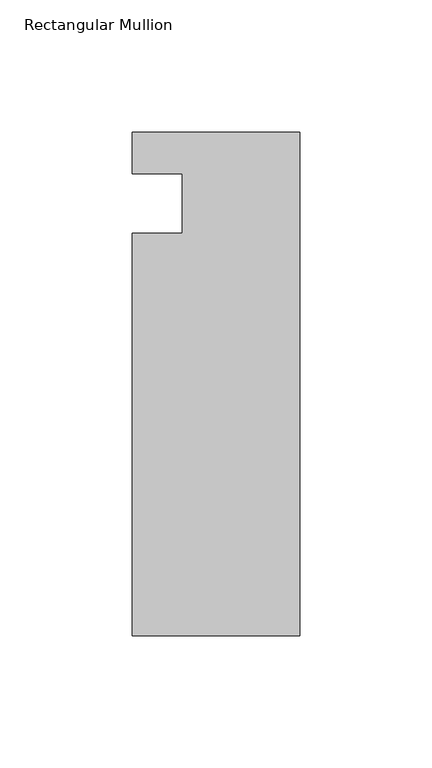
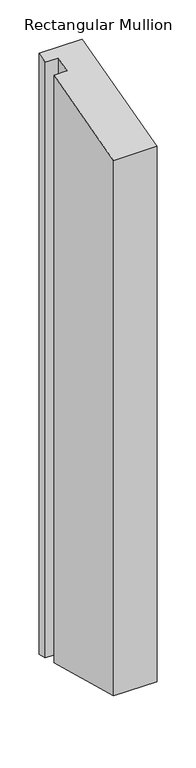
"""IFC4 building model written with IfcOpenShell, lengths in millimetres: member geometry, Rectangular Mullion."""

from ifc_helpers import new_model, si_unit, origin, place, context, project, spatial, faceted_brep, source, transform, mapped, element, save


def rectangular_mullion_287accdd(model_context):
    return source(origin(), model_context, "Body", "Brep", [
        faceted_brep([(-198.4248, 4.9172813, 1.3175815), (-198.4248, 20.7668813, 5.5644691), (-198.4248, 20.7668813, -930.0041027), (-198.4248, 4.9172813, -925.7572152), (-179.3748, 4.9172813, 1.3175815), (-179.3748, 4.9172813, -925.7572152), (-179.3748, -17.5617188, -4.7056484), (-179.3748, -17.5617188, -919.7339853), (-198.4248, -17.5617188, -4.7056484), (-198.4248, -17.5617188, -919.7339853), (-198.4248, -169.9617188, -45.5411053), (-198.4248, -169.9617188, -878.8985284), (-134.9248, -169.9617187, -45.5411053), (-134.9248, -169.9617187, -878.8985284), (-134.9248, 20.7668813, 5.5644691), (-134.9248, 20.7668813, -930.0041027)], [[[0, 1, 2, 3]], [[4, 0, 3, 5]], [[6, 4, 5, 7]], [[8, 6, 7, 9]], [[10, 8, 9, 11]], [[12, 10, 11, 13]], [[14, 12, 13, 15]], [[1, 14, 15, 2]], [[1, 0, 4, 6, 8, 10, 12, 14]], [[2, 15, 13, 11, 9, 7, 5, 3]]]),
    ])


if __name__ == "__main__":
    model = new_model("IFC4")
    model_context = context("Model", 3, world=origin())
    ifc_project = project(units=[si_unit("LENGTHUNIT", "METRE", prefix="MILLI")], contexts=[model_context])
    site = spatial("IfcSite", under=ifc_project)
    building = spatial("IfcBuilding", under=site)
    placement = place(None, origin())
    rectangular_mullion_shape = rectangular_mullion_287accdd(model_context)
    element("IfcMember", 1, ObjectType="Rectangular Mullion", at=placement, inside=building, context=model_context, shape_type="MappedRepresentation", body=[
        mapped(rectangular_mullion_shape, transform((0.0, 0.0, 0.0), x_axis=(1.0, 0.0, 0.0), y_axis=(0.0, 1.0, 0.0), z_axis=(0.0, 0.0, 1.0))),
    ])
    save(model, "model.ifc")
